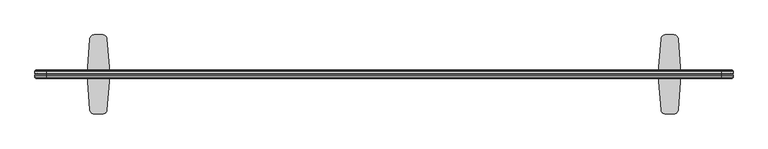
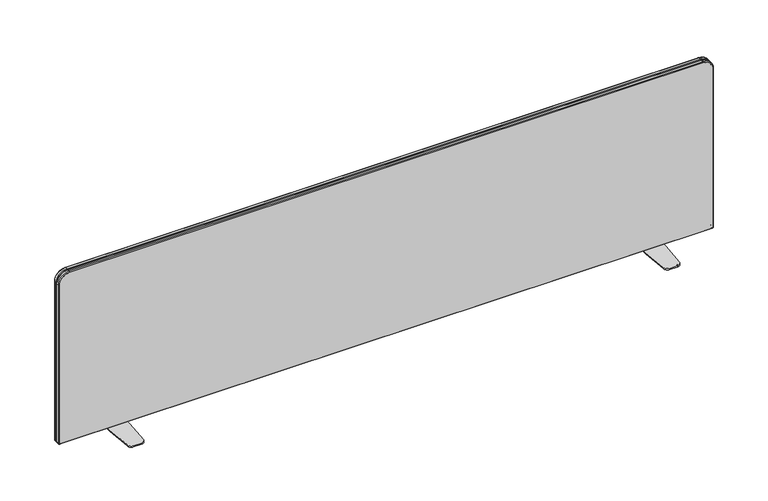
"""IFC4 building model written with IfcOpenShell, lengths in millimetres: furniture geometry."""

from ifc_helpers import new_model, si_unit, point, frame, frame_2d, origin, place, context, project, spatial, polyline, circle_curve, ellipse_curve, trimmed, segment, composite_curve, outline, extrude, source, transform, mapped, element, save
from ifc_brep_helpers import plane_surface, cylinder_surface, revolved_surface, advanced_brep


def furniture_967a448e(model_context):
    return source(origin(), model_context, "Body", "SolidModel", [
        extrude(outline(composite_curve([segment(polyline([(1398.8288257, -52.6808302), (1397.3821843, -76.886334)]), True, "CONTINUOUS"), segment(trimmed(circle_curve(frame_2d((1389.8511487, -74.2367789)), 7.983523), [point((1397.3821843, -76.886334))], [point((1391.1527005, -82.1134916))], False, "CARTESIAN"), True, "CONTINUOUS"), segment(polyline([(1391.1527005, -82.1134916), (1387.4285223, -82.5582171), (1378.124221, -82.5582171), (1374.3975524, -82.1131942)]), True, "CONTINUOUS"), segment(trimmed(circle_curve(frame_2d((1375.7009026, -74.2367789)), 7.983523), [point((1374.3975524, -82.1131942))], [point((1368.1707004, -76.8887017))], False, "CARTESIAN"), True, "CONTINUOUS"), segment(polyline([(1368.1707004, -76.8887017), (1366.7239176, -52.6808302), (1398.8288257, -52.6808302)]), True, "CONTINUOUS")], self_intersect=False)), frame((0.0, 0.0, 723.9), z_axis=(0.0, 0.0, 1.0), x_axis=(1.0, 0.0, 0.0)), (0.0, 0.0, 1.0), 0.8128),
        advanced_brep(
        [(1386.9377923, -0.112, 894.356892), (1378.614259, -0.112, 894.356892), (1388.7628059, -0.112, 884.831892), (1376.7892454, -0.112, 884.831892)],
        [
            (0, 1, circle_curve(frame((1382.7760257, -0.112, 894.356892), z_axis=(0.0, 0.0, 1.0), x_axis=(-1.0, 0.0, 0.0)), 4.1617666)),
            (1, 0, circle_curve(frame((1382.7760257, -0.112, 894.356892), z_axis=(0.0, 0.0, 1.0), x_axis=(1.0, 0.0, 0.0)), 4.1617666)),
            (2, 3, circle_curve(frame((1382.7760257, -0.112, 884.831892), z_axis=(0.0, 0.0, -1.0), x_axis=(1.0, 0.0, 0.0)), 5.9867803)),
            (3, 2, circle_curve(frame((1382.7760257, -0.112, 884.831892), z_axis=(0.0, 0.0, -1.0), x_axis=(-1.0, 0.0, 0.0)), 5.9867803)),
            (2, 0),
            (1, 3),
        ],
        [
            plane_surface(frame((1382.7760257, -0.112, 894.356892), z_axis=(0.0, 0.0, 1.0), x_axis=(0.0, -1.0, 0.0))),
            plane_surface(frame((1382.7760257, -0.112, 884.831892), z_axis=(0.0, 0.0, -1.0), x_axis=(0.0, -1.0, 0.0))),
            revolved_surface(polyline([(1386.9377923083505, -0.112, 894.356892), (1388.7628059, -0.112, 884.831892)]), (1382.7760257, -0.112, 916.0777313), (0.0, 0.0, -1.0)),
            revolved_surface(polyline([(1378.6142590221336, -0.112, 894.356892), (1376.7892454, -0.112, 884.831892)]), (1382.7760257, -0.112, 916.0777313), (0.0, 0.0, -1.0)),
        ],
        [
            (0, [[1, 2]]),
            (1, [[3, 4]]),
            (2, [[5, -2, 6, -3]]),
            (3, [[-6, -1, -5, -4]]),
        ],
    ),
        extrude(outline(composite_curve([segment(trimmed(circle_curve(frame_2d((1382.7760257, -0.112)), 5.9867803), [point((1388.7628059, -0.112))], [point((1376.7892454, -0.112))], False, "CARTESIAN"), True, "CONTINUOUS"), segment(trimmed(circle_curve(frame_2d((1382.7760257, -0.112)), 5.9867803), [point((1376.7892454, -0.112))], [point((1388.7628059, -0.112))], False, "CARTESIAN"), True, "CONTINUOUS")], self_intersect=False)), frame((0.0, 0.0, 727.7354), z_axis=(0.0, 0.0, 1.0), x_axis=(1.0, 0.0, 0.0)), (0.0, 0.0, 1.0), 157.096492),
        extrude(outline(composite_curve([segment(polyline([(1398.8288257, 52.4568302), (1366.7239176, 52.4568302), (1368.1707004, 76.6647017)]), True, "CONTINUOUS"), segment(trimmed(circle_curve(frame_2d((1375.7009026, 74.0127789)), 7.983523), [point((1368.1707004, 76.6647017))], [point((1374.3975524, 81.8891942))], False, "CARTESIAN"), True, "CONTINUOUS"), segment(polyline([(1374.3975524, 81.8891942), (1378.124221, 82.3342171), (1387.4285223, 82.3342171), (1391.1527005, 81.8894916)]), True, "CONTINUOUS"), segment(trimmed(circle_curve(frame_2d((1389.8511487, 74.0127789)), 7.983523), [point((1391.1527005, 81.8894916))], [point((1397.3821843, 76.662334))], False, "CARTESIAN"), True, "CONTINUOUS"), segment(polyline([(1397.3821843, 76.662334), (1398.8288257, 52.4568302)]), True, "CONTINUOUS")], self_intersect=False)), frame((0.0, 0.0, 723.9), z_axis=(0.0, 0.0, 1.0), x_axis=(1.0, 0.0, 0.0)), (0.0, 0.0, 1.0), 0.8128),
        extrude(outline(composite_curve([segment(polyline([(1373.4099451, 86.3220188), (1392.1421063, 86.3220188)]), True, "CONTINUOUS"), segment(trimmed(circle_curve(frame_2d((1392.1421063, 77.0941391)), 9.2278797), [point((1392.1421063, 86.3220188))], [point((1401.369986, 77.0941391))], False, "CARTESIAN"), True, "CONTINUOUS"), segment(polyline([(1401.369986, 77.0941391), (1406.0805269, 14.9354877)]), True, "CONTINUOUS"), segment(trimmed(circle_curve(frame_2d((1207.5191414, -0.112)), 199.1307378), [point((1406.0805269, 14.9354877))], [point((1406.0805269, -15.1594877))], False, "CARTESIAN"), True, "CONTINUOUS"), segment(polyline([(1406.0805269, -15.1594877), (1401.369986, -77.3181391)]), True, "CONTINUOUS"), segment(trimmed(circle_curve(frame_2d((1392.1421063, -77.3181391)), 9.2278797), [point((1401.369986, -77.3181391))], [point((1392.1421063, -86.5460188))], False, "CARTESIAN"), True, "CONTINUOUS"), segment(polyline([(1392.1421063, -86.5460188), (1373.4099451, -86.5460188)]), True, "CONTINUOUS"), segment(trimmed(circle_curve(frame_2d((1373.4099451, -77.3181391)), 9.2278797), [point((1373.4099451, -86.5460188))], [point((1364.1820698, -77.3090676))], False, "CARTESIAN"), True, "CONTINUOUS"), segment(polyline([(1364.1820698, -77.3090676), (1359.5118232, -15.6821264)]), True, "CONTINUOUS"), segment(trimmed(circle_curve(frame_2d((1558.03291, -0.112)), 199.1307378), [point((1359.5118232, -15.6821264))], [point((1359.5118232, 15.4581264))], False, "CARTESIAN"), True, "CONTINUOUS"), segment(polyline([(1359.5118232, 15.4581264), (1364.1820698, 77.0850676)]), True, "CONTINUOUS"), segment(trimmed(circle_curve(frame_2d((1373.4099451, 77.0941391)), 9.2278797), [point((1364.1820698, 77.0850676))], [point((1373.4099451, 86.3220188))], False, "CARTESIAN"), True, "CONTINUOUS")], self_intersect=False)), frame((0.0, 0.0, 724.7128), z_axis=(0.0, 0.0, 1.0), x_axis=(1.0, 0.0, 0.0)), (0.0, 0.0, 1.0), 3.0226),
        extrude(outline(composite_curve([segment(polyline([(122.1231999, -52.6808302), (154.228108, -52.6808302), (152.7813252, -76.8887017)]), True, "CONTINUOUS"), segment(trimmed(circle_curve(frame_2d((145.251123, -74.2367789)), 7.983523), [point((152.7813252, -76.8887017))], [point((146.5544733, -82.1131942))], False, "CARTESIAN"), True, "CONTINUOUS"), segment(polyline([(146.5544733, -82.1131942), (142.8278046, -82.5582171), (133.5235034, -82.5582171), (129.7993251, -82.1134916)]), True, "CONTINUOUS"), segment(trimmed(circle_curve(frame_2d((131.1008769, -74.2367789)), 7.983523), [point((129.7993251, -82.1134916))], [point((123.5698413, -76.886334))], False, "CARTESIAN"), True, "CONTINUOUS"), segment(polyline([(123.5698413, -76.886334), (122.1231999, -52.6808302)]), True, "CONTINUOUS")], self_intersect=False)), frame((0.0, 0.0, 723.9), z_axis=(0.0, 0.0, 1.0), x_axis=(1.0, 0.0, 0.0)), (0.0, 0.0, 1.0), 0.8128),
        advanced_brep(
        [(134.0142333, -0.112, 894.356892), (142.3377666, -0.112, 894.356892), (132.1892197, -0.112, 884.831892), (144.1627802, -0.112, 884.831892)],
        [
            (0, 1, circle_curve(frame((138.1759999, -0.112, 894.356892), z_axis=(0.0, 0.0, 1.0), x_axis=(-1.0, 0.0, 0.0)), 4.1617666)),
            (1, 0, circle_curve(frame((138.1759999, -0.112, 894.356892), z_axis=(0.0, 0.0, 1.0), x_axis=(1.0, 0.0, 0.0)), 4.1617666)),
            (2, 3, circle_curve(frame((138.1759999, -0.112, 884.831892), z_axis=(0.0, 0.0, -1.0), x_axis=(1.0, 0.0, 0.0)), 5.9867803)),
            (3, 2, circle_curve(frame((138.1759999, -0.112, 884.831892), z_axis=(0.0, 0.0, -1.0), x_axis=(-1.0, 0.0, 0.0)), 5.9867803)),
            (3, 1),
            (0, 2),
        ],
        [
            plane_surface(frame((138.1759999, -0.112, 894.356892), z_axis=(0.0, 0.0, 1.0), x_axis=(0.0, -1.0, 0.0))),
            plane_surface(frame((138.1759999, -0.112, 884.831892), z_axis=(0.0, 0.0, -1.0), x_axis=(0.0, -1.0, 0.0))),
            revolved_surface(polyline([(134.01423329164962, -0.112, 894.356892), (132.1892197, -0.112, 884.831892)]), (138.1759999, -0.112, 916.0777313), (0.0, 0.0, -1.0)),
            revolved_surface(polyline([(142.33776657786632, -0.112, 894.356892), (144.1627802, -0.112, 884.831892)]), (138.1759999, -0.112, 916.0777313), (0.0, 0.0, -1.0)),
        ],
        [
            (0, [[1, 2]]),
            (1, [[3, 4]]),
            (2, [[-4, 5, -1, 6]]),
            (3, [[-3, -6, -2, -5]]),
        ],
    ),
        extrude(outline(composite_curve([segment(trimmed(circle_curve(frame_2d((138.1759999, -0.112)), 5.9867803), [point((132.1892197, -0.112))], [point((144.1627802, -0.112))], False, "CARTESIAN"), True, "CONTINUOUS"), segment(trimmed(circle_curve(frame_2d((138.1759999, -0.112)), 5.9867803), [point((144.1627802, -0.112))], [point((132.1892197, -0.112))], False, "CARTESIAN"), True, "CONTINUOUS")], self_intersect=False)), frame((0.0, 0.0, 727.7354), z_axis=(0.0, 0.0, 1.0), x_axis=(1.0, 0.0, 0.0)), (0.0, 0.0, 1.0), 157.096492),
        extrude(outline(composite_curve([segment(polyline([(122.1231999, 52.4568302), (123.5698413, 76.662334)]), True, "CONTINUOUS"), segment(trimmed(circle_curve(frame_2d((131.1008769, 74.0127789)), 7.983523), [point((123.5698413, 76.662334))], [point((129.7993251, 81.8894916))], False, "CARTESIAN"), True, "CONTINUOUS"), segment(polyline([(129.7993251, 81.8894916), (133.5235034, 82.3342171), (142.8278046, 82.3342171), (146.5544733, 81.8891942)]), True, "CONTINUOUS"), segment(trimmed(circle_curve(frame_2d((145.251123, 74.0127789)), 7.983523), [point((146.5544733, 81.8891942))], [point((152.7813252, 76.6647017))], False, "CARTESIAN"), True, "CONTINUOUS"), segment(polyline([(152.7813252, 76.6647017), (154.228108, 52.4568302), (122.1231999, 52.4568302)]), True, "CONTINUOUS")], self_intersect=False)), frame((0.0, 0.0, 723.9), z_axis=(0.0, 0.0, 1.0), x_axis=(1.0, 0.0, 0.0)), (0.0, 0.0, 1.0), 0.8128),
        extrude(outline(composite_curve([segment(trimmed(circle_curve(frame_2d((147.5420805, 77.0941391)), 9.2278797), [point((147.5420805, 86.3220188))], [point((156.7699558, 77.0850676))], False, "CARTESIAN"), True, "CONTINUOUS"), segment(polyline([(156.7699558, 77.0850676), (161.4402024, 15.4581264)]), True, "CONTINUOUS"), segment(trimmed(circle_curve(frame_2d((-37.0808844, -0.112)), 199.1307378), [point((161.4402024, 15.4581264))], [point((161.4402024, -15.6821264))], False, "CARTESIAN"), True, "CONTINUOUS"), segment(polyline([(161.4402024, -15.6821264), (156.7699558, -77.3090676)]), True, "CONTINUOUS"), segment(trimmed(circle_curve(frame_2d((147.5420805, -77.3181391)), 9.2278797), [point((156.7699558, -77.3090676))], [point((147.5420805, -86.5460188))], False, "CARTESIAN"), True, "CONTINUOUS"), segment(polyline([(147.5420805, -86.5460188), (128.8099193, -86.5460188)]), True, "CONTINUOUS"), segment(trimmed(circle_curve(frame_2d((128.8099193, -77.3181391)), 9.2278797), [point((128.8099193, -86.5460188))], [point((119.5820396, -77.3181391))], False, "CARTESIAN"), True, "CONTINUOUS"), segment(polyline([(119.5820396, -77.3181391), (114.8714987, -15.1594877)]), True, "CONTINUOUS"), segment(trimmed(circle_curve(frame_2d((313.4328843, -0.112)), 199.1307378), [point((114.8714987, -15.1594877))], [point((114.8714987, 14.9354877))], False, "CARTESIAN"), True, "CONTINUOUS"), segment(polyline([(114.8714987, 14.9354877), (119.5820396, 77.0941391)]), True, "CONTINUOUS"), segment(trimmed(circle_curve(frame_2d((128.8099193, 77.0941391)), 9.2278797), [point((119.5820396, 77.0941391))], [point((128.8099193, 86.3220188))], False, "CARTESIAN"), True, "CONTINUOUS"), segment(polyline([(128.8099193, 86.3220188), (147.5420805, 86.3220188)]), True, "CONTINUOUS")], self_intersect=False)), frame((0.0, 0.0, 724.7128), z_axis=(0.0, 0.0, 1.0), x_axis=(1.0, 0.0, 0.0)), (0.0, 0.0, 1.0), 3.0226),
        advanced_brep(
        [(0.0, 7.2078176, 1120.1565331), (24.7484669, 7.2078176, 1144.905), (24.7484669, 8.6561781, 1142.8222), (2.0828, 8.6561781, 1120.1565331), (0.0, 2.1245821, 1120.1565331), (24.7484669, 2.1245821, 1144.905), (2.0828, 0.6762221, 1120.1565331), (24.7484669, 0.6762221, 1142.8222), (2.0828, 8.6561781, 731.1022493), (0.0, 7.2078176, 731.1022493), (0.0, 2.1245821, 731.1022493), (2.0828, 0.6762221, 731.1022493), (3.2652493, 7.2078176, 727.837), (3.2652493, 8.6561781, 729.9198), (3.2652493, 2.1245821, 727.837), (3.2652493, 0.6762221, 729.9198), (1517.6983498, 8.6561781, 729.9198), (1517.6983498, 7.2078176, 727.837), (1517.6983498, 2.1245821, 727.837), (1517.6983498, 0.6762221, 729.9198), (1520.952, 7.2078176, 731.0906502), (1518.8692, 8.6561781, 731.0906502), (1520.952, 2.1245821, 731.0906502), (1518.8692, 0.6762221, 731.0906502), (1518.8692, 8.6561781, 1120.0890405), (1520.952, 7.2078176, 1120.0890405), (1520.952, 2.1245821, 1120.0890405), (1518.8692, 0.6762221, 1120.0890405), (1496.1360405, 7.2078176, 1144.905), (1496.1360405, 8.6561781, 1142.8222), (1496.1360405, 2.1245821, 1144.905), (1496.1360405, 0.6762221, 1142.8222)],
        [
            (0, 1, circle_curve(frame((24.7484669, 7.2078176, 1120.1565331), z_axis=(0.0, 1.0, 0.0), x_axis=(0.0, 0.0, 1.0)), 24.7484669)),
            (1, 2, circle_curve(frame((24.7484669, 6.8743639, 1143.1281308), z_axis=(-1.0, 0.0, 0.0), x_axis=(0.0, 0.0, -1.0)), 1.807887)),
            (2, 3, circle_curve(frame((24.7484669, 8.6561781, 1120.1565331), z_axis=(0.0, -1.0, 0.0), x_axis=(0.0, 0.0, 1.0)), 22.6656669)),
            (3, 0, circle_curve(frame((1.7768692, 6.8743639, 1120.1565331), z_axis=(0.0, 0.0, 1.0), x_axis=(1.0, 0.0, 0.0)), 1.807887)),
            (4, 5, circle_curve(frame((24.7484669, 2.1245821, 1120.1565331), z_axis=(0.0, 1.0, 0.0), x_axis=(0.0, 0.0, 1.0)), 24.7484669)),
            (5, 1),
            (0, 4),
            (6, 7, circle_curve(frame((24.7484669, 0.6762221, 1120.1565331), z_axis=(0.0, 1.0, 0.0), x_axis=(0.0, 0.0, 1.0)), 22.6656669)),
            (7, 5, circle_curve(frame((24.7484669, 2.458036, 1143.1281311), z_axis=(-1.0, 0.0, 0.0), x_axis=(0.0, 0.0, -1.0)), 1.8078868)),
            (4, 6, circle_curve(frame((1.7768689, 2.458036, 1120.1565331), z_axis=(0.0, 0.0, 1.0), x_axis=(1.0, 0.0, 0.0)), 1.8078868)),
            (2, 7),
            (6, 3),
            (3, 8),
            (8, 9, circle_curve(frame((1.7768692, 6.8743639, 731.1022493), z_axis=(0.0, 0.0, 1.0), x_axis=(1.0, 0.0, 0.0)), 1.807887)),
            (9, 0),
            (9, 10),
            (10, 4),
            (10, 11, circle_curve(frame((1.7768689, 2.458036, 731.1022493), z_axis=(0.0, 0.0, 1.0), x_axis=(1.0, 0.0, 0.0)), 1.8078868)),
            (11, 6),
            (11, 8),
            (12, 9, circle_curve(frame((3.2652493, 7.2078176, 731.1022493), z_axis=(0.0, 1.0, 0.0), x_axis=(-1.0, 0.0, 0.0)), 3.2652493)),
            (8, 13, circle_curve(frame((3.2652493, 8.6561781, 731.1022493), z_axis=(0.0, -1.0, 0.0), x_axis=(-1.0, 0.0, 0.0)), 1.1824493)),
            (13, 12, circle_curve(frame((3.2652493, 6.8743639, 729.6138692), z_axis=(-1.0, 0.0, 0.0), x_axis=(0.0, 0.0, 1.0)), 1.807887)),
            (14, 10, circle_curve(frame((3.2652493, 2.1245821, 731.1022493), z_axis=(0.0, 1.0, 0.0), x_axis=(-1.0, 0.0, 0.0)), 3.2652493)),
            (12, 14),
            (15, 11, circle_curve(frame((3.2652493, 0.6762221, 731.1022493), z_axis=(0.0, 1.0, 0.0), x_axis=(-1.0, 0.0, 0.0)), 1.1824493)),
            (14, 15, circle_curve(frame((3.2652493, 2.458036, 729.6138689), z_axis=(-1.0, 0.0, 0.0), x_axis=(0.0, 0.0, 1.0)), 1.8078868)),
            (15, 13),
            (13, 16),
            (16, 17, circle_curve(frame((1517.6983498, 6.8743639, 729.6138692), z_axis=(-1.0, 0.0, 0.0), x_axis=(0.0, 0.0, 1.0)), 1.807887)),
            (17, 12),
            (17, 18),
            (18, 14),
            (18, 19, circle_curve(frame((1517.6983498, 2.458036, 729.6138689), z_axis=(-1.0, 0.0, 0.0), x_axis=(0.0, 0.0, 1.0)), 1.8078868)),
            (19, 15),
            (19, 16),
            (20, 17, circle_curve(frame((1517.6983498, 7.2078176, 731.0906502), z_axis=(0.0, 1.0, 0.0), x_axis=(0.0, 0.0, -1.0)), 3.2536502)),
            (16, 21, circle_curve(frame((1517.6983498, 8.6561781, 731.0906502), z_axis=(0.0, -1.0, 0.0), x_axis=(0.0, 0.0, -1.0)), 1.1708502)),
            (21, 20, circle_curve(frame((1519.1751308, 6.8743639, 731.0906502), z_axis=(0.0, 0.0, -1.0), x_axis=(-1.0, 0.0, 0.0)), 1.807887)),
            (22, 18, circle_curve(frame((1517.6983498, 2.1245821, 731.0906502), z_axis=(0.0, 1.0, 0.0), x_axis=(0.0, 0.0, -1.0)), 3.2536502)),
            (20, 22),
            (23, 19, circle_curve(frame((1517.6983498, 0.6762221, 731.0906502), z_axis=(0.0, 1.0, 0.0), x_axis=(0.0, 0.0, -1.0)), 1.1708502)),
            (22, 23, circle_curve(frame((1519.1751311, 2.458036, 731.0906502), z_axis=(0.0, 0.0, -1.0), x_axis=(-1.0, 0.0, 0.0)), 1.8078868)),
            (23, 21),
            (21, 24),
            (24, 25, circle_curve(frame((1519.1751308, 6.8743639, 1120.0890405), z_axis=(0.0, 0.0, -1.0), x_axis=(-1.0, 0.0, 0.0)), 1.807887)),
            (25, 20),
            (25, 26),
            (26, 22),
            (26, 27, circle_curve(frame((1519.1751311, 2.458036, 1120.0890405), z_axis=(0.0, 0.0, -1.0), x_axis=(-1.0, 0.0, 0.0)), 1.8078868)),
            (27, 23),
            (27, 24),
            (28, 25, circle_curve(frame((1496.1360405, 7.2078176, 1120.0890405), z_axis=(0.0, 1.0, 0.0), x_axis=(1.0, 0.0, 0.0)), 24.8159595)),
            (24, 29, circle_curve(frame((1496.1360405, 8.6561781, 1120.0890405), z_axis=(0.0, -1.0, 0.0), x_axis=(1.0, 0.0, 0.0)), 22.7331595)),
            (29, 28, circle_curve(frame((1496.1360405, 6.8743639, 1143.1281308), z_axis=(1.0, 0.0, 0.0), x_axis=(0.0, 0.0, -1.0)), 1.807887)),
            (30, 26, circle_curve(frame((1496.1360405, 2.1245821, 1120.0890405), z_axis=(0.0, 1.0, 0.0), x_axis=(1.0, 0.0, 0.0)), 24.8159595)),
            (28, 30),
            (31, 27, circle_curve(frame((1496.1360405, 0.6762221, 1120.0890405), z_axis=(0.0, 1.0, 0.0), x_axis=(1.0, 0.0, 0.0)), 22.7331595)),
            (30, 31, circle_curve(frame((1496.1360405, 2.458036, 1143.1281311), z_axis=(1.0, 0.0, 0.0), x_axis=(0.0, 0.0, -1.0)), 1.8078868)),
            (31, 29),
            (29, 2),
            (1, 28),
            (5, 30),
            (7, 31),
        ],
        [
            revolved_surface(trimmed(ellipse_curve(frame((24.7484669, 6.8743639, 1143.1281308), z_axis=(1.0, 0.0, 0.0), x_axis=(0.0, 0.0, -1.0)), 1.807887, 1.807887), [point((24.7484669, 8.6561781, 1142.8222))], [point((24.7484669, 7.2078176, 1144.905))], True, "CARTESIAN"), (24.7484669, 0.0, 1120.1565331), (0.0, -1.0, 0.0)),
            cylinder_surface(frame((24.7484669, 0.0, 1120.1565331), z_axis=(0.0, -1.0, 0.0), x_axis=(0.0, 0.0, 1.0)), 24.7484669),
            revolved_surface(trimmed(ellipse_curve(frame((24.7484669, 2.458036, 1143.1281311), z_axis=(1.0, 0.0, 0.0), x_axis=(0.0, 0.0, -1.0)), 1.8078868, 1.8078868), [point((24.7484669, 2.1245821, 1144.905))], [point((24.7484669, 0.6762221, 1142.8222))], True, "CARTESIAN"), (24.7484669, 0.0, 1120.1565331), (0.0, -1.0, 0.0)),
            revolved_surface(polyline([(24.7484669, 0.6762221, 1142.8221999999998), (24.7484669, 8.6561781, 1142.8221999999998)]), (24.7484669, 0.0, 1120.1565331), (0.0, -1.0, 0.0)),
            cylinder_surface(frame((1.7768692, 6.8743639, 1120.1565331), z_axis=(0.0, 0.0, 1.0), x_axis=(1.0, 0.0, 0.0)), 1.807887),
            plane_surface(frame((0.0, 7.2078176, 1120.1565331), z_axis=(-1.0, 0.0, 0.0), x_axis=(0.0, 0.0, -1.0))),
            cylinder_surface(frame((1.7768689, 2.458036, 1120.1565331), z_axis=(0.0, 0.0, 1.0), x_axis=(1.0, 0.0, 0.0)), 1.8078868),
            plane_surface(frame((2.0828, 0.6762221, 1120.1565331), z_axis=(1.0, 0.0, 0.0), x_axis=(0.0, 0.0, -1.0))),
            revolved_surface(trimmed(ellipse_curve(frame((1.7768692, 6.8743639, 731.1022493), z_axis=(0.0, 0.0, 1.0), x_axis=(1.0, 0.0, 0.0)), 1.807887, 1.807887), [point((2.0828, 8.6561781, 731.1022493))], [point((0.0, 7.2078176, 731.1022493))], True, "CARTESIAN"), (3.2652493, 0.0, 731.1022493), (0.0, -1.0, 0.0)),
            cylinder_surface(frame((3.2652493, 0.0, 731.1022493), z_axis=(0.0, -1.0, 0.0), x_axis=(-1.0, 0.0, 0.0)), 3.2652493),
            revolved_surface(trimmed(ellipse_curve(frame((1.7768689, 2.458036, 731.1022493), z_axis=(0.0, 0.0, 1.0), x_axis=(1.0, 0.0, 0.0)), 1.8078868, 1.8078868), [point((0.0, 2.1245821, 731.1022493))], [point((2.0828, 0.6762221, 731.1022493))], True, "CARTESIAN"), (3.2652493, 0.0, 731.1022493), (0.0, -1.0, 0.0)),
            revolved_surface(polyline([(2.0827999999999998, 0.6762221, 731.1022493), (2.0827999999999998, 8.6561781, 731.1022493)]), (3.2652493, 0.0, 731.1022493), (0.0, -1.0, 0.0)),
            cylinder_surface(frame((3.2652493, 6.8743639, 729.6138692), z_axis=(-1.0, 0.0, 0.0), x_axis=(0.0, 0.0, 1.0)), 1.807887),
            plane_surface(frame((3.2652493, 7.2078176, 727.837), z_axis=(0.0, 0.0, -1.0), x_axis=(1.0, 0.0, 0.0))),
            cylinder_surface(frame((3.2652493, 2.458036, 729.6138689), z_axis=(-1.0, 0.0, 0.0), x_axis=(0.0, 0.0, 1.0)), 1.8078868),
            plane_surface(frame((3.2652493, 0.6762221, 729.9198), z_axis=(0.0, 0.0, 1.0), x_axis=(1.0, 0.0, 0.0))),
            revolved_surface(trimmed(ellipse_curve(frame((1517.6983498, 6.8743639, 729.6138692), z_axis=(-1.0, 0.0, 0.0), x_axis=(0.0, 0.0, 1.0)), 1.807887, 1.807887), [point((1517.6983498, 8.6561781, 729.9198))], [point((1517.6983498, 7.2078176, 727.837))], True, "CARTESIAN"), (1517.6983498, 0.0, 731.0906502), (0.0, -1.0, 0.0)),
            cylinder_surface(frame((1517.6983498, 0.0, 731.0906502), z_axis=(0.0, -1.0, 0.0), x_axis=(0.0, 0.0, -1.0)), 3.2536502),
            revolved_surface(trimmed(ellipse_curve(frame((1517.6983498, 2.458036, 729.6138689), z_axis=(-1.0, 0.0, 0.0), x_axis=(0.0, 0.0, 1.0)), 1.8078868, 1.8078868), [point((1517.6983498, 2.1245821, 727.837))], [point((1517.6983498, 0.6762221, 729.9198))], True, "CARTESIAN"), (1517.6983498, 0.0, 731.0906502), (0.0, -1.0, 0.0)),
            revolved_surface(polyline([(1517.6983498, 0.6762221, 729.9198), (1517.6983498, 8.6561781, 729.9198)]), (1517.6983498, 0.0, 731.0906502), (0.0, -1.0, 0.0)),
            cylinder_surface(frame((1519.1751308, 6.8743639, 731.0906502), z_axis=(0.0, 0.0, -1.0), x_axis=(-1.0, 0.0, 0.0)), 1.807887),
            plane_surface(frame((1520.952, 7.2078176, 731.0906502), z_axis=(1.0, 0.0, 0.0), x_axis=(0.0, 0.0, 1.0))),
            cylinder_surface(frame((1519.1751311, 2.458036, 731.0906502), z_axis=(0.0, 0.0, -1.0), x_axis=(-1.0, 0.0, 0.0)), 1.8078868),
            plane_surface(frame((1518.8692, 0.6762221, 731.0906502), z_axis=(-1.0, 0.0, 0.0), x_axis=(0.0, 0.0, 1.0))),
            revolved_surface(trimmed(ellipse_curve(frame((1519.1751308, 6.8743639, 1120.0890405), z_axis=(0.0, 0.0, -1.0), x_axis=(-1.0, 0.0, 0.0)), 1.807887, 1.807887), [point((1518.8692, 8.6561781, 1120.0890405))], [point((1520.952, 7.2078176, 1120.0890405))], True, "CARTESIAN"), (1496.1360405, 0.0, 1120.0890405), (0.0, -1.0, 0.0)),
            cylinder_surface(frame((1496.1360405, 0.0, 1120.0890405), z_axis=(0.0, -1.0, 0.0), x_axis=(1.0, 0.0, 0.0)), 24.8159595),
            revolved_surface(trimmed(ellipse_curve(frame((1519.1751311, 2.458036, 1120.0890405), z_axis=(0.0, 0.0, -1.0), x_axis=(-1.0, 0.0, 0.0)), 1.8078868, 1.8078868), [point((1520.952, 2.1245821, 1120.0890405))], [point((1518.8692, 0.6762221, 1120.0890405))], True, "CARTESIAN"), (1496.1360405, 0.0, 1120.0890405), (0.0, -1.0, 0.0)),
            revolved_surface(polyline([(1518.8692, 0.6762221, 1120.0890405), (1518.8692, 8.6561781, 1120.0890405)]), (1496.1360405, 0.0, 1120.0890405), (0.0, -1.0, 0.0)),
            cylinder_surface(frame((1496.1360405, 6.8743639, 1143.1281308), z_axis=(1.0, 0.0, 0.0), x_axis=(0.0, 0.0, -1.0)), 1.807887),
            plane_surface(frame((1496.1360405, 7.2078176, 1144.905), z_axis=(0.0, 0.0, 1.0), x_axis=(-1.0, 0.0, 0.0))),
            cylinder_surface(frame((1496.1360405, 2.458036, 1143.1281311), z_axis=(1.0, 0.0, 0.0), x_axis=(0.0, 0.0, -1.0)), 1.8078868),
            plane_surface(frame((1496.1360405, 0.6762221, 1142.8222), z_axis=(0.0, 0.0, -1.0), x_axis=(-1.0, 0.0, 0.0))),
        ],
        [
            (0, [[1, 2, 3, 4]]),
            (1, [[5, 6, -1, 7]]),
            (2, [[8, 9, -5, 10]]),
            (3, [[-3, 11, -8, 12]]),
            (4, [[-4, 13, 14, 15]]),
            (5, [[-7, -15, 16, 17]]),
            (6, [[-10, -17, 18, 19]]),
            (7, [[-12, -19, 20, -13]]),
            (8, [[21, -14, 22, 23]]),
            (9, [[24, -16, -21, 25]]),
            (10, [[26, -18, -24, 27]]),
            (11, [[-22, -20, -26, 28]]),
            (12, [[-23, 29, 30, 31]]),
            (13, [[-25, -31, 32, 33]]),
            (14, [[-27, -33, 34, 35]]),
            (15, [[-28, -35, 36, -29]]),
            (16, [[37, -30, 38, 39]]),
            (17, [[40, -32, -37, 41]]),
            (18, [[42, -34, -40, 43]]),
            (19, [[-38, -36, -42, 44]]),
            (20, [[-39, 45, 46, 47]]),
            (21, [[-41, -47, 48, 49]]),
            (22, [[-43, -49, 50, 51]]),
            (23, [[-44, -51, 52, -45]]),
            (24, [[53, -46, 54, 55]]),
            (25, [[56, -48, -53, 57]]),
            (26, [[58, -50, -56, 59]]),
            (27, [[-54, -52, -58, 60]]),
            (28, [[-55, 61, -2, 62]]),
            (29, [[-57, -62, -6, 63]]),
            (30, [[-59, -63, -9, 64]]),
            (31, [[-60, -64, -11, -61]]),
        ],
    ),
        advanced_brep(
        [(2.0828, -0.6762221, 1120.1565331), (24.7484669, -0.6762221, 1142.8222), (24.7484669, -8.6561781, 1142.8222), (2.0828, -8.6561781, 1120.1565331), (0.0, -2.1245821, 1120.1565331), (24.7484669, -2.1245821, 1144.905), (0.0, -7.2078176, 1120.1565331), (24.7484669, -7.2078176, 1144.905), (2.0828, -8.6561781, 731.1022493), (2.0828, -0.6762221, 731.1022493), (0.0, -2.1245821, 731.1022493), (0.0, -7.2078176, 731.1022493), (3.2652493, -0.6762221, 729.9198), (3.2652493, -8.6561781, 729.9198), (3.2652493, -2.1245821, 727.837), (3.2652493, -7.2078176, 727.837), (1517.6983498, -8.6561781, 729.9198), (1517.6983498, -0.6762221, 729.9198), (1517.6983498, -2.1245821, 727.837), (1517.6983498, -7.2078176, 727.837), (1518.8692, -0.6762221, 731.0906502), (1518.8692, -8.6561781, 731.0906502), (1520.952, -2.1245821, 731.0906502), (1520.952, -7.2078176, 731.0906502), (1518.8692, -8.6561781, 1120.0890405), (1518.8692, -0.6762221, 1120.0890405), (1520.952, -2.1245821, 1120.0890405), (1520.952, -7.2078176, 1120.0890405), (1496.1360405, -0.6762221, 1142.8222), (1496.1360405, -8.6561781, 1142.8222), (1496.1360405, -2.1245821, 1144.905), (1496.1360405, -7.2078176, 1144.905)],
        [
            (0, 1, circle_curve(frame((24.7484669, -0.6762221, 1120.1565331), z_axis=(0.0, 1.0, 0.0), x_axis=(0.0, 0.0, 1.0)), 22.6656669)),
            (1, 2),
            (2, 3, circle_curve(frame((24.7484669, -8.6561781, 1120.1565331), z_axis=(0.0, -1.0, 0.0), x_axis=(0.0, 0.0, 1.0)), 22.6656669)),
            (3, 0),
            (4, 5, circle_curve(frame((24.7484669, -2.1245821, 1120.1565331), z_axis=(0.0, 1.0, 0.0), x_axis=(0.0, 0.0, 1.0)), 24.7484669)),
            (5, 1, circle_curve(frame((24.7484669, -2.458036, 1143.1281311), z_axis=(-1.0, 0.0, 0.0), x_axis=(0.0, 0.0, -1.0)), 1.8078868)),
            (0, 4, circle_curve(frame((1.7768689, -2.458036, 1120.1565331), z_axis=(0.0, 0.0, 1.0), x_axis=(1.0, 0.0, 0.0)), 1.8078868)),
            (6, 7, circle_curve(frame((24.7484669, -7.2078176, 1120.1565331), z_axis=(0.0, 1.0, 0.0), x_axis=(0.0, 0.0, 1.0)), 24.7484669)),
            (7, 5),
            (4, 6),
            (2, 7, circle_curve(frame((24.7484669, -6.8743639, 1143.1281308), z_axis=(-1.0, 0.0, 0.0), x_axis=(0.0, 0.0, -1.0)), 1.807887)),
            (6, 3, circle_curve(frame((1.7768692, -6.8743639, 1120.1565331), z_axis=(0.0, 0.0, 1.0), x_axis=(1.0, 0.0, 0.0)), 1.807887)),
            (3, 8),
            (8, 9),
            (9, 0),
            (9, 10, circle_curve(frame((1.7768689, -2.458036, 731.1022493), z_axis=(0.0, 0.0, 1.0), x_axis=(1.0, 0.0, 0.0)), 1.8078868)),
            (10, 4),
            (10, 11),
            (11, 6),
            (11, 8, circle_curve(frame((1.7768692, -6.8743639, 731.1022493), z_axis=(0.0, 0.0, 1.0), x_axis=(1.0, 0.0, 0.0)), 1.807887)),
            (12, 9, circle_curve(frame((3.2652493, -0.6762221, 731.1022493), z_axis=(0.0, 1.0, 0.0), x_axis=(-1.0, 0.0, 0.0)), 1.1824493)),
            (8, 13, circle_curve(frame((3.2652493, -8.6561781, 731.1022493), z_axis=(0.0, -1.0, 0.0), x_axis=(-1.0, 0.0, 0.0)), 1.1824493)),
            (13, 12),
            (14, 10, circle_curve(frame((3.2652493, -2.1245821, 731.1022493), z_axis=(0.0, 1.0, 0.0), x_axis=(-1.0, 0.0, 0.0)), 3.2652493)),
            (12, 14, circle_curve(frame((3.2652493, -2.458036, 729.6138689), z_axis=(-1.0, 0.0, 0.0), x_axis=(0.0, 0.0, 1.0)), 1.8078868)),
            (15, 11, circle_curve(frame((3.2652493, -7.2078176, 731.1022493), z_axis=(0.0, 1.0, 0.0), x_axis=(-1.0, 0.0, 0.0)), 3.2652493)),
            (14, 15),
            (15, 13, circle_curve(frame((3.2652493, -6.8743639, 729.6138692), z_axis=(-1.0, 0.0, 0.0), x_axis=(0.0, 0.0, 1.0)), 1.807887)),
            (13, 16),
            (16, 17),
            (17, 12),
            (17, 18, circle_curve(frame((1517.6983498, -2.458036, 729.6138689), z_axis=(-1.0, 0.0, 0.0), x_axis=(0.0, 0.0, 1.0)), 1.8078868)),
            (18, 14),
            (18, 19),
            (19, 15),
            (19, 16, circle_curve(frame((1517.6983498, -6.8743639, 729.6138692), z_axis=(-1.0, 0.0, 0.0), x_axis=(0.0, 0.0, 1.0)), 1.807887)),
            (20, 17, circle_curve(frame((1517.6983498, -0.6762221, 731.0906502), z_axis=(0.0, 1.0, 0.0), x_axis=(0.0, 0.0, -1.0)), 1.1708502)),
            (16, 21, circle_curve(frame((1517.6983498, -8.6561781, 731.0906502), z_axis=(0.0, -1.0, 0.0), x_axis=(0.0, 0.0, -1.0)), 1.1708502)),
            (21, 20),
            (22, 18, circle_curve(frame((1517.6983498, -2.1245821, 731.0906502), z_axis=(0.0, 1.0, 0.0), x_axis=(0.0, 0.0, -1.0)), 3.2536502)),
            (20, 22, circle_curve(frame((1519.1751311, -2.458036, 731.0906502), z_axis=(0.0, 0.0, -1.0), x_axis=(-1.0, 0.0, 0.0)), 1.8078868)),
            (23, 19, circle_curve(frame((1517.6983498, -7.2078176, 731.0906502), z_axis=(0.0, 1.0, 0.0), x_axis=(0.0, 0.0, -1.0)), 3.2536502)),
            (22, 23),
            (23, 21, circle_curve(frame((1519.1751308, -6.8743639, 731.0906502), z_axis=(0.0, 0.0, -1.0), x_axis=(-1.0, 0.0, 0.0)), 1.807887)),
            (21, 24),
            (24, 25),
            (25, 20),
            (25, 26, circle_curve(frame((1519.1751311, -2.458036, 1120.0890405), z_axis=(0.0, 0.0, -1.0), x_axis=(-1.0, 0.0, 0.0)), 1.8078868)),
            (26, 22),
            (26, 27),
            (27, 23),
            (27, 24, circle_curve(frame((1519.1751308, -6.8743639, 1120.0890405), z_axis=(0.0, 0.0, -1.0), x_axis=(-1.0, 0.0, 0.0)), 1.807887)),
            (28, 25, circle_curve(frame((1496.1360405, -0.6762221, 1120.0890405), z_axis=(0.0, 1.0, 0.0), x_axis=(1.0, 0.0, 0.0)), 22.7331595)),
            (24, 29, circle_curve(frame((1496.1360405, -8.6561781, 1120.0890405), z_axis=(0.0, -1.0, 0.0), x_axis=(1.0, 0.0, 0.0)), 22.7331595)),
            (29, 28),
            (30, 26, circle_curve(frame((1496.1360405, -2.1245821, 1120.0890405), z_axis=(0.0, 1.0, 0.0), x_axis=(1.0, 0.0, 0.0)), 24.8159595)),
            (28, 30, circle_curve(frame((1496.1360405, -2.458036, 1143.1281311), z_axis=(1.0, 0.0, 0.0), x_axis=(0.0, 0.0, -1.0)), 1.8078868)),
            (31, 27, circle_curve(frame((1496.1360405, -7.2078176, 1120.0890405), z_axis=(0.0, 1.0, 0.0), x_axis=(1.0, 0.0, 0.0)), 24.8159595)),
            (30, 31),
            (31, 29, circle_curve(frame((1496.1360405, -6.8743639, 1143.1281308), z_axis=(1.0, 0.0, 0.0), x_axis=(0.0, 0.0, -1.0)), 1.807887)),
            (29, 2),
            (1, 28),
            (5, 30),
            (7, 31),
        ],
        [
            revolved_surface(polyline([(24.7484669, -8.6561781, 1142.8221999999998), (24.7484669, -0.6762221, 1142.8221999999998)]), (24.7484669, 0.0, 1120.1565331), (0.0, -1.0, 0.0)),
            revolved_surface(trimmed(ellipse_curve(frame((24.7484669, -2.458036, 1143.1281311), z_axis=(1.0, 0.0, 0.0), x_axis=(0.0, 0.0, -1.0)), 1.8078868, 1.8078868), [point((24.7484669, -0.6762221, 1142.8222))], [point((24.7484669, -2.1245821, 1144.905))], True, "CARTESIAN"), (24.7484669, 0.0, 1120.1565331), (0.0, -1.0, 0.0)),
            cylinder_surface(frame((24.7484669, 0.0, 1120.1565331), z_axis=(0.0, -1.0, 0.0), x_axis=(0.0, 0.0, 1.0)), 24.7484669),
            revolved_surface(trimmed(ellipse_curve(frame((24.7484669, -6.8743639, 1143.1281308), z_axis=(1.0, 0.0, 0.0), x_axis=(0.0, 0.0, -1.0)), 1.807887, 1.807887), [point((24.7484669, -7.2078176, 1144.905))], [point((24.7484669, -8.6561781, 1142.8222))], True, "CARTESIAN"), (24.7484669, 0.0, 1120.1565331), (0.0, -1.0, 0.0)),
            plane_surface(frame((2.0828, -8.6561781, 1120.1565331), z_axis=(1.0, 0.0, 0.0), x_axis=(0.0, 0.0, -1.0))),
            cylinder_surface(frame((1.7768689, -2.458036, 1120.1565331), z_axis=(0.0, 0.0, 1.0), x_axis=(1.0, 0.0, 0.0)), 1.8078868),
            plane_surface(frame((0.0, -2.1245821, 1120.1565331), z_axis=(-1.0, 0.0, 0.0), x_axis=(0.0, 0.0, -1.0))),
            cylinder_surface(frame((1.7768692, -6.8743639, 1120.1565331), z_axis=(0.0, 0.0, 1.0), x_axis=(1.0, 0.0, 0.0)), 1.807887),
            revolved_surface(polyline([(2.0827999999999998, -8.6561781, 731.1022493), (2.0827999999999998, -0.6762221, 731.1022493)]), (3.2652493, 0.0, 731.1022493), (0.0, -1.0, 0.0)),
            revolved_surface(trimmed(ellipse_curve(frame((1.7768689, -2.458036, 731.1022493), z_axis=(0.0, 0.0, 1.0), x_axis=(1.0, 0.0, 0.0)), 1.8078868, 1.8078868), [point((2.0828, -0.6762221, 731.1022493))], [point((0.0, -2.1245821, 731.1022493))], True, "CARTESIAN"), (3.2652493, 0.0, 731.1022493), (0.0, -1.0, 0.0)),
            cylinder_surface(frame((3.2652493, 0.0, 731.1022493), z_axis=(0.0, -1.0, 0.0), x_axis=(-1.0, 0.0, 0.0)), 3.2652493),
            revolved_surface(trimmed(ellipse_curve(frame((1.7768692, -6.8743639, 731.1022493), z_axis=(0.0, 0.0, 1.0), x_axis=(1.0, 0.0, 0.0)), 1.807887, 1.807887), [point((0.0, -7.2078176, 731.1022493))], [point((2.0828, -8.6561781, 731.1022493))], True, "CARTESIAN"), (3.2652493, 0.0, 731.1022493), (0.0, -1.0, 0.0)),
            plane_surface(frame((3.2652493, -8.6561781, 729.9198), z_axis=(0.0, 0.0, 1.0), x_axis=(1.0, 0.0, 0.0))),
            cylinder_surface(frame((3.2652493, -2.458036, 729.6138689), z_axis=(-1.0, 0.0, 0.0), x_axis=(0.0, 0.0, 1.0)), 1.8078868),
            plane_surface(frame((3.2652493, -2.1245821, 727.837), z_axis=(0.0, 0.0, -1.0), x_axis=(1.0, 0.0, 0.0))),
            cylinder_surface(frame((3.2652493, -6.8743639, 729.6138692), z_axis=(-1.0, 0.0, 0.0), x_axis=(0.0, 0.0, 1.0)), 1.807887),
            revolved_surface(polyline([(1517.6983498, -8.6561781, 729.9198), (1517.6983498, -0.6762221, 729.9198)]), (1517.6983498, 0.0, 731.0906502), (0.0, -1.0, 0.0)),
            revolved_surface(trimmed(ellipse_curve(frame((1517.6983498, -2.458036, 729.6138689), z_axis=(-1.0, 0.0, 0.0), x_axis=(0.0, 0.0, 1.0)), 1.8078868, 1.8078868), [point((1517.6983498, -0.6762221, 729.9198))], [point((1517.6983498, -2.1245821, 727.837))], True, "CARTESIAN"), (1517.6983498, 0.0, 731.0906502), (0.0, -1.0, 0.0)),
            cylinder_surface(frame((1517.6983498, 0.0, 731.0906502), z_axis=(0.0, -1.0, 0.0), x_axis=(0.0, 0.0, -1.0)), 3.2536502),
            revolved_surface(trimmed(ellipse_curve(frame((1517.6983498, -6.8743639, 729.6138692), z_axis=(-1.0, 0.0, 0.0), x_axis=(0.0, 0.0, 1.0)), 1.807887, 1.807887), [point((1517.6983498, -7.2078176, 727.837))], [point((1517.6983498, -8.6561781, 729.9198))], True, "CARTESIAN"), (1517.6983498, 0.0, 731.0906502), (0.0, -1.0, 0.0)),
            plane_surface(frame((1518.8692, -8.6561781, 731.0906502), z_axis=(-1.0, 0.0, 0.0), x_axis=(0.0, 0.0, 1.0))),
            cylinder_surface(frame((1519.1751311, -2.458036, 731.0906502), z_axis=(0.0, 0.0, -1.0), x_axis=(-1.0, 0.0, 0.0)), 1.8078868),
            plane_surface(frame((1520.952, -2.1245821, 731.0906502), z_axis=(1.0, 0.0, 0.0), x_axis=(0.0, 0.0, 1.0))),
            cylinder_surface(frame((1519.1751308, -6.8743639, 731.0906502), z_axis=(0.0, 0.0, -1.0), x_axis=(-1.0, 0.0, 0.0)), 1.807887),
            revolved_surface(polyline([(1518.8692, -8.6561781, 1120.0890405), (1518.8692, -0.6762221, 1120.0890405)]), (1496.1360405, 0.0, 1120.0890405), (0.0, -1.0, 0.0)),
            revolved_surface(trimmed(ellipse_curve(frame((1519.1751311, -2.458036, 1120.0890405), z_axis=(0.0, 0.0, -1.0), x_axis=(-1.0, 0.0, 0.0)), 1.8078868, 1.8078868), [point((1518.8692, -0.6762221, 1120.0890405))], [point((1520.952, -2.1245821, 1120.0890405))], True, "CARTESIAN"), (1496.1360405, 0.0, 1120.0890405), (0.0, -1.0, 0.0)),
            cylinder_surface(frame((1496.1360405, 0.0, 1120.0890405), z_axis=(0.0, -1.0, 0.0), x_axis=(1.0, 0.0, 0.0)), 24.8159595),
            revolved_surface(trimmed(ellipse_curve(frame((1519.1751308, -6.8743639, 1120.0890405), z_axis=(0.0, 0.0, -1.0), x_axis=(-1.0, 0.0, 0.0)), 1.807887, 1.807887), [point((1520.952, -7.2078176, 1120.0890405))], [point((1518.8692, -8.6561781, 1120.0890405))], True, "CARTESIAN"), (1496.1360405, 0.0, 1120.0890405), (0.0, -1.0, 0.0)),
            plane_surface(frame((1496.1360405, -8.6561781, 1142.8222), z_axis=(0.0, 0.0, -1.0), x_axis=(-1.0, 0.0, 0.0))),
            cylinder_surface(frame((1496.1360405, -2.458036, 1143.1281311), z_axis=(1.0, 0.0, 0.0), x_axis=(0.0, 0.0, -1.0)), 1.8078868),
            plane_surface(frame((1496.1360405, -2.1245821, 1144.905), z_axis=(0.0, 0.0, 1.0), x_axis=(-1.0, 0.0, 0.0))),
            cylinder_surface(frame((1496.1360405, -6.8743639, 1143.1281308), z_axis=(1.0, 0.0, 0.0), x_axis=(0.0, 0.0, -1.0)), 1.807887),
        ],
        [
            (0, [[1, 2, 3, 4]]),
            (1, [[5, 6, -1, 7]]),
            (2, [[8, 9, -5, 10]]),
            (3, [[-3, 11, -8, 12]]),
            (4, [[-4, 13, 14, 15]]),
            (5, [[-7, -15, 16, 17]]),
            (6, [[-10, -17, 18, 19]]),
            (7, [[-12, -19, 20, -13]]),
            (8, [[21, -14, 22, 23]]),
            (9, [[24, -16, -21, 25]]),
            (10, [[26, -18, -24, 27]]),
            (11, [[-22, -20, -26, 28]]),
            (12, [[-23, 29, 30, 31]]),
            (13, [[-25, -31, 32, 33]]),
            (14, [[-27, -33, 34, 35]]),
            (15, [[-28, -35, 36, -29]]),
            (16, [[37, -30, 38, 39]]),
            (17, [[40, -32, -37, 41]]),
            (18, [[42, -34, -40, 43]]),
            (19, [[-38, -36, -42, 44]]),
            (20, [[-39, 45, 46, 47]]),
            (21, [[-41, -47, 48, 49]]),
            (22, [[-43, -49, 50, 51]]),
            (23, [[-44, -51, 52, -45]]),
            (24, [[53, -46, 54, 55]]),
            (25, [[56, -48, -53, 57]]),
            (26, [[58, -50, -56, 59]]),
            (27, [[-54, -52, -58, 60]]),
            (28, [[-55, 61, -2, 62]]),
            (29, [[-57, -62, -6, 63]]),
            (30, [[-59, -63, -9, 64]]),
            (31, [[-60, -64, -11, -61]]),
        ],
    ),
        extrude(outline(composite_curve([segment(polyline([(1142.8222, 1496.1360405), (1142.8222, 24.7484669)]), True, "CONTINUOUS"), segment(trimmed(circle_curve(frame_2d((1120.1565331, 24.7484669)), 22.6656669), [point((1142.8222, 24.7484669))], [point((1120.1565331, 2.0828))], False, "CARTESIAN"), True, "CONTINUOUS"), segment(polyline([(1120.1565331, 2.0828), (731.1022493, 2.0828)]), True, "CONTINUOUS"), segment(trimmed(circle_curve(frame_2d((731.1022493, 3.2652493)), 1.1824493), [point((731.1022493, 2.0828))], [point((729.9198, 3.2652493))], False, "CARTESIAN"), True, "CONTINUOUS"), segment(polyline([(729.9198, 3.2652493), (729.9198, 1517.6983498)]), True, "CONTINUOUS"), segment(trimmed(circle_curve(frame_2d((731.0906502, 1517.6983498)), 1.1708502), [point((729.9198, 1517.6983498))], [point((731.0906502, 1518.8692))], False, "CARTESIAN"), True, "CONTINUOUS"), segment(polyline([(731.0906502, 1518.8692), (1120.0890405, 1518.8692)]), True, "CONTINUOUS"), segment(trimmed(circle_curve(frame_2d((1120.0890405, 1496.1360405)), 22.7331595), [point((1120.0890405, 1518.8692))], [point((1142.8222, 1496.1360405))], False, "CARTESIAN"), True, "CONTINUOUS")], self_intersect=False)), frame((0.0, -9.6012, 0.0), z_axis=(0.0, 1.0, 0.0), x_axis=(0.0, 0.0, 1.0)), (0.0, 0.0, 1.0), 19.2024),
    ])


if __name__ == "__main__":
    model = new_model("IFC4")
    model_context = context("Model", 3, world=origin())
    ifc_project = project(units=[si_unit("LENGTHUNIT", "METRE", prefix="MILLI")], contexts=[model_context])
    site = spatial("IfcSite", under=ifc_project)
    building = spatial("IfcBuilding", under=site)
    placement = place(None, origin())
    furniture_shape = furniture_967a448e(model_context)
    element("IfcFurniture", 1, at=placement, inside=building, context=model_context, shape_type="MappedRepresentation", body=[
        mapped(furniture_shape, transform((0.0, 0.0, 0.0), x_axis=(1.0, 0.0, 0.0), y_axis=(0.0, 1.0, 0.0), z_axis=(0.0, 0.0, 1.0))),
    ])
    save(model, "model.ifc")
